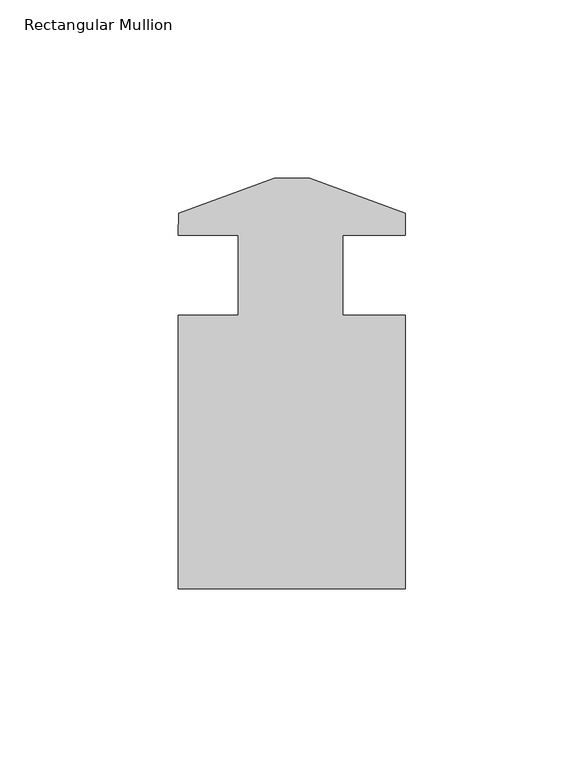
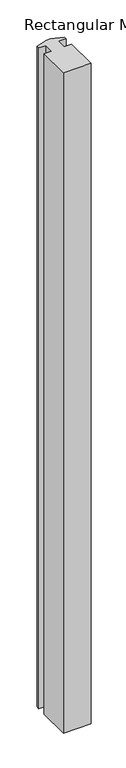
"""IFC4 building model written with IfcOpenShell, lengths in millimetres: member geometry, Rectangular Mullion."""

import ifcopenshell
import ifcopenshell.guid

model = None  # the IFC model being written
_history = None  # IfcOwnerHistory: only IFC2X3 demands one
_inside = {}  # id of a spatial element -> (the spatial element, [elements in it])
_under = {}  # id of a project, library or spatial element -> (it, [spatial elements below it])
_declared = {}  # id of a project -> (the project, [libraries it declares])
_typed = {}  # id of a type object -> (the type object, [elements of that type])
_made_of = {}  # id of a material, layer set ... -> (it, [elements and type objects made of it])


def new_model(schema):
    """Start an empty IFC model of exactly this schema.

    Asked for "IFC4X3", IfcOpenShell would pick the latest addendum, in which some entities
    have other attributes; the version numbers below select the first issue.
    IFC2X3 requires an IfcOwnerHistory on every rooted entity: one is made here for all.
    """
    global model, _history
    if schema == "IFC4X3":
        model = ifcopenshell.file(schema_version=(4, 3, 0, 0))
    else:
        model = ifcopenshell.file(schema=schema)
    _inside.clear()
    _under.clear()
    _declared.clear()
    _typed.clear()
    _made_of.clear()
    _history = None
    if model.schema == "IFC2X3":
        org = make("IfcOrganization", Name="unknown")
        user = make(
            "IfcPersonAndOrganization",
            ThePerson=make("IfcPerson", FamilyName="unknown"),
            TheOrganization=org,
        )
        app = make(
            "IfcApplication",
            ApplicationDeveloper=org,
            Version="unknown",
            ApplicationFullName="unknown",
            ApplicationIdentifier="unknown",
        )
        _history = make(
            "IfcOwnerHistory",
            OwningUser=user,
            OwningApplication=app,
            ChangeAction="ADDED",
            CreationDate=0,
        )
    return model


def make(cls, **values):
    """One entity of the class cls with the attributes given. An attribute that is None is left unset."""
    return model.create_entity(
        cls, **{name: value for name, value in values.items() if value is not None}
    )


def rooted(cls, **values):
    """An entity with a GlobalId (a new one), such as an element, a storey or a relation."""
    return make(cls, GlobalId=ifcopenshell.guid.new(), OwnerHistory=_history, **values)


def si_unit(unit_type, name, prefix=None):
    """IfcSIUnit, for example si_unit("LENGTHUNIT", "METRE", prefix="MILLI")."""
    return make("IfcSIUnit", UnitType=unit_type, Prefix=prefix, Name=name)


def assignment(units):
    """IfcUnitAssignment: the units of a project."""
    return None if units is None else make("IfcUnitAssignment", Units=units)


def point(xyz):
    """IfcCartesianPoint."""
    return None if xyz is None else make("IfcCartesianPoint", Coordinates=xyz)


def direction(xyz):
    """IfcDirection."""
    return None if xyz is None else make("IfcDirection", DirectionRatios=xyz)


def frame(location, z_axis=None, x_axis=None):
    """IfcAxis2Placement3D, a coordinate frame: its origin and axes. An axis left out is left unset."""
    return make(
        "IfcAxis2Placement3D",
        Location=point(location),
        Axis=direction(z_axis),
        RefDirection=direction(x_axis),
    )


def origin():
    """The frame at (0, 0, 0) with its axes left unset."""
    return frame((0.0, 0.0, 0.0))


def place(relative_to, where):
    """IfcLocalPlacement: puts the frame where relative to a parent placement (None: the world)."""
    return make(
        "IfcLocalPlacement", PlacementRelTo=relative_to, RelativePlacement=where
    )


def context(
    kind, dimensions, precision=None, world=None, true_north=None, identifier=None
):
    """IfcGeometricRepresentationContext, for example the 3D "Model" context."""
    return make(
        "IfcGeometricRepresentationContext",
        ContextIdentifier=identifier,
        ContextType=kind,
        CoordinateSpaceDimension=dimensions,
        Precision=precision,
        WorldCoordinateSystem=world,
        TrueNorth=true_north,
    )


def project(units=None, contexts=None):
    """IfcProject with its units and contexts."""
    return rooted(
        "IfcProject",
        Name="project",
        RepresentationContexts=contexts,
        UnitsInContext=assignment(units),
    )


def spatial(cls, under=None, at=None, **own):
    """A site, building, storey or space (cls), placed at a placement, below another one or the project."""
    s = rooted(cls, ObjectPlacement=at, **own)
    if under is not None:
        _under.setdefault(under.id(), (under, []))[1].append(s)
    return s


def polyline(points):
    """IfcPolyline through the points."""
    return make("IfcPolyline", Points=[point(p) for p in points])


def outline(outer, holes=None, kind="AREA"):
    """IfcArbitraryClosedProfileDef: a profile drawn as a closed curve; with holes, ...WithVoids."""
    if holes is None:
        return make("IfcArbitraryClosedProfileDef", ProfileType=kind, OuterCurve=outer)
    return make(
        "IfcArbitraryProfileDefWithVoids",
        ProfileType=kind,
        OuterCurve=outer,
        InnerCurves=holes,
    )


def extrude(swept, where, along, depth):
    """IfcExtrudedAreaSolid: the profile swept, set in the frame where, extruded along a direction by depth."""
    return make(
        "IfcExtrudedAreaSolid",
        SweptArea=swept,
        Position=where,
        ExtrudedDirection=direction(along),
        Depth=depth,
    )


def shape(context_of_items, identifier, shape_type, items):
    """IfcShapeRepresentation: the items that make up one representation, for example the "Body"."""
    return make(
        "IfcShapeRepresentation",
        ContextOfItems=context_of_items,
        RepresentationIdentifier=identifier,
        RepresentationType=shape_type,
        Items=items,
    )


def source(mapping_origin, context_of_items, identifier, shape_type, items):
    """IfcRepresentationMap: a shape defined once, which mapped items show again and again."""
    return make(
        "IfcRepresentationMap",
        MappingOrigin=mapping_origin,
        MappedRepresentation=shape(context_of_items, identifier, shape_type, items),
    )


def transform(
    local_origin,
    x_axis=None,
    y_axis=None,
    z_axis=None,
    scale=None,
    scale2=None,
    scale3=None,
    uniform=True,
):
    """IfcCartesianTransformationOperator3D, or its non-uniform kind. x_axis, y_axis, z_axis: its Axis1, 2, 3."""
    if uniform:
        return make(
            "IfcCartesianTransformationOperator3D",
            Axis1=direction(x_axis),
            Axis2=direction(y_axis),
            LocalOrigin=point(local_origin),
            Scale=scale,
            Axis3=direction(z_axis),
        )
    return make(
        "IfcCartesianTransformationOperator3DnonUniform",
        Axis1=direction(x_axis),
        Axis2=direction(y_axis),
        LocalOrigin=point(local_origin),
        Scale=scale,
        Axis3=direction(z_axis),
        Scale2=scale2,
        Scale3=scale3,
    )


def mapped(mapping_source, mapping_target):
    """IfcMappedItem: shows the shape of a source again, moved by a transform."""
    return make(
        "IfcMappedItem", MappingSource=mapping_source, MappingTarget=mapping_target
    )


def made_of(thing, what):
    """Note that an element or type object is made of a material, layer set ...; save() writes the relation."""
    if what is not None:
        _made_of.setdefault(what.id(), (what, []))[1].append(thing)
    return thing


def element(
    cls,
    number,
    at=None,
    inside=None,
    cuts=None,
    type_object=None,
    material=None,
    context=None,
    identifier="Body",
    shape_type=None,
    held_by="IfcProductDefinitionShape",
    body=None,
    shapes=None,
    **own,
):
    """One element of the class cls, such as IfcWall. Its Tag is "e" and its number.

    at: its placement. inside: the storey or other place that contains it. cuts: it is an
    opening in that element (IfcRelVoidsElement). A single representation is given by context,
    identifier, shape_type and body (its items); several are given by shapes. held_by: the class
    of the entity that holds the representations. save() writes the other relations.
    """
    e = rooted(cls, Tag="e%d" % number, ObjectPlacement=at, **own)
    if body is not None:
        shapes = [shape(context, identifier, shape_type, body)]
    if shapes is not None:
        e.Representation = make(held_by, Representations=shapes)
    if inside is not None:
        _inside.setdefault(inside.id(), (inside, []))[1].append(e)
    if cuts is not None:
        rooted(
            "IfcRelVoidsElement", RelatingBuildingElement=cuts, RelatedOpeningElement=e
        )
    if type_object is not None:
        _typed.setdefault(type_object.id(), (type_object, []))[1].append(e)
    return made_of(e, material)


def aggregate(whole, parts):
    """IfcRelAggregates: a whole, such as a stair, and the parts it consists of."""
    return rooted("IfcRelAggregates", RelatingObject=whole, RelatedObjects=parts)


def save(model, path):
    """Write the relations noted so far, then the file.

    IfcRelAggregates (storeys below a building ...), IfcRelContainedInSpatialStructure (elements
    in a storey), IfcRelDefinesByType, IfcRelAssociatesMaterial and IfcRelDeclares: one each for
    every whole, place, type object, material and project.
    """
    for whole, parts in _under.values():
        aggregate(whole, parts)
    for where, things in _inside.values():
        rooted(
            "IfcRelContainedInSpatialStructure",
            RelatedElements=things,
            RelatingStructure=where,
        )
    for kind, things in _typed.values():
        rooted("IfcRelDefinesByType", RelatedObjects=things, RelatingType=kind)
    for what, things in _made_of.values():
        rooted("IfcRelAssociatesMaterial", RelatedObjects=things, RelatingMaterial=what)
    for by, libraries in _declared.values():
        rooted("IfcRelDeclares", RelatingContext=by, RelatedDefinitions=libraries)
    model.write(path)


def rectangular_mullion_43e38b09(model_context):
    return source(origin(), model_context, "Body", "SweptSolid", [
        extrude(outline(polyline([(-31.6999958, -9.4257812), (-4.9022, 0.3278188), (4.9522042, 0.3278188), (31.75, -9.4257812), (31.75, -15.5217812), (14.2875, -15.5217812), (14.2875, -38.0007812), (31.75, -38.0007812), (31.75, -114.5309812), (-31.75, -114.5309812), (-31.75, -38.0007812), (-15.0622, -38.0007812), (-15.0622, -15.5217813), (-31.75, -15.5217812), (-31.6999958, -9.4257812)])), frame((0.0, 0.0, -1612.9), z_axis=(0.0, 0.0, 1.0), x_axis=(1.0, 0.0, 0.0)), (0.0, 0.0, 1.0), 1612.9),
    ])


if __name__ == "__main__":
    model = new_model("IFC4")
    model_context = context("Model", 3, world=origin())
    ifc_project = project(units=[si_unit("LENGTHUNIT", "METRE", prefix="MILLI")], contexts=[model_context])
    site = spatial("IfcSite", under=ifc_project)
    building = spatial("IfcBuilding", under=site)
    placement = place(None, origin())
    rectangular_mullion_shape = rectangular_mullion_43e38b09(model_context)
    element("IfcMember", 1, ObjectType="Rectangular Mullion", at=placement, inside=building, context=model_context, shape_type="MappedRepresentation", body=[
        mapped(rectangular_mullion_shape, transform((0.0, 0.0, 0.0), x_axis=(1.0, 0.0, 0.0), y_axis=(0.0, 1.0, 0.0), z_axis=(0.0, 0.0, 1.0))),
    ])
    save(model, "model.ifc")
